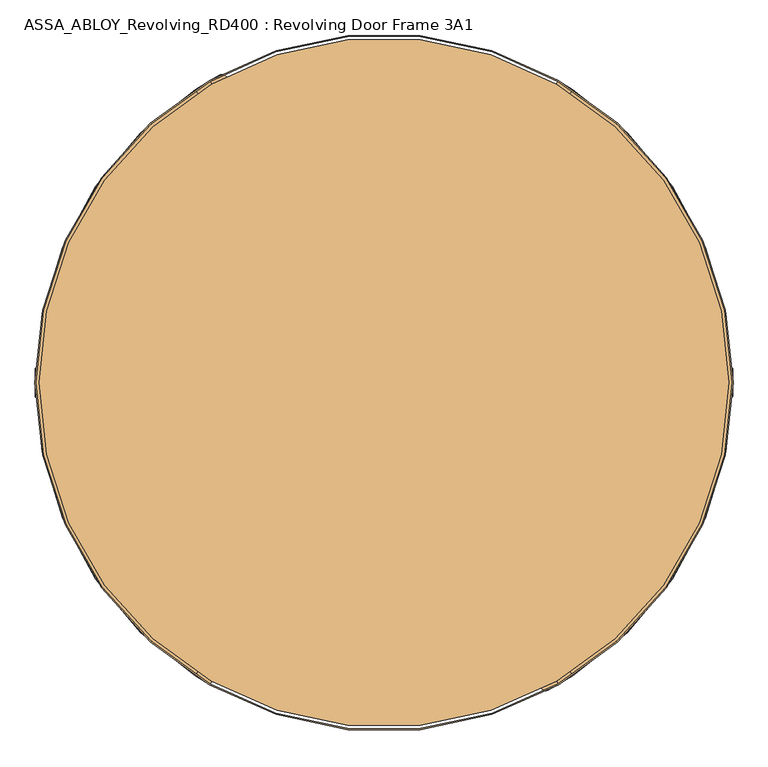
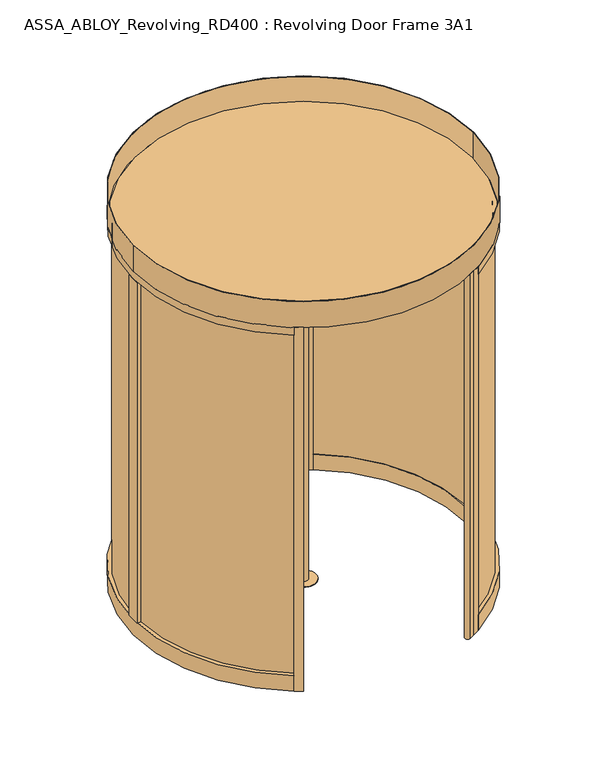
"""IFC4 building model written with IfcOpenShell, lengths in millimetres: door geometry, ASSA_ABLOY_Revolving_RD400 : Revolving Door Frame 3A1."""

import ifcopenshell
import ifcopenshell.guid

model = None  # the IFC model being written
_history = None  # IfcOwnerHistory: only IFC2X3 demands one
_inside = {}  # id of a spatial element -> (the spatial element, [elements in it])
_under = {}  # id of a project, library or spatial element -> (it, [spatial elements below it])
_declared = {}  # id of a project -> (the project, [libraries it declares])
_typed = {}  # id of a type object -> (the type object, [elements of that type])
_made_of = {}  # id of a material, layer set ... -> (it, [elements and type objects made of it])


def new_model(schema):
    """Start an empty IFC model of exactly this schema.

    Asked for "IFC4X3", IfcOpenShell would pick the latest addendum, in which some entities
    have other attributes; the version numbers below select the first issue.
    IFC2X3 requires an IfcOwnerHistory on every rooted entity: one is made here for all.
    """
    global model, _history
    if schema == "IFC4X3":
        model = ifcopenshell.file(schema_version=(4, 3, 0, 0))
    else:
        model = ifcopenshell.file(schema=schema)
    _inside.clear()
    _under.clear()
    _declared.clear()
    _typed.clear()
    _made_of.clear()
    _history = None
    if model.schema == "IFC2X3":
        org = make("IfcOrganization", Name="unknown")
        user = make(
            "IfcPersonAndOrganization",
            ThePerson=make("IfcPerson", FamilyName="unknown"),
            TheOrganization=org,
        )
        app = make(
            "IfcApplication",
            ApplicationDeveloper=org,
            Version="unknown",
            ApplicationFullName="unknown",
            ApplicationIdentifier="unknown",
        )
        _history = make(
            "IfcOwnerHistory",
            OwningUser=user,
            OwningApplication=app,
            ChangeAction="ADDED",
            CreationDate=0,
        )
    return model


def make(cls, **values):
    """One entity of the class cls with the attributes given. An attribute that is None is left unset."""
    return model.create_entity(
        cls, **{name: value for name, value in values.items() if value is not None}
    )


def rooted(cls, **values):
    """An entity with a GlobalId (a new one), such as an element, a storey or a relation."""
    return make(cls, GlobalId=ifcopenshell.guid.new(), OwnerHistory=_history, **values)


def si_unit(unit_type, name, prefix=None):
    """IfcSIUnit, for example si_unit("LENGTHUNIT", "METRE", prefix="MILLI")."""
    return make("IfcSIUnit", UnitType=unit_type, Prefix=prefix, Name=name)


def assignment(units):
    """IfcUnitAssignment: the units of a project."""
    return None if units is None else make("IfcUnitAssignment", Units=units)


def point(xyz):
    """IfcCartesianPoint."""
    return None if xyz is None else make("IfcCartesianPoint", Coordinates=xyz)


def direction(xyz):
    """IfcDirection."""
    return None if xyz is None else make("IfcDirection", DirectionRatios=xyz)


def frame(location, z_axis=None, x_axis=None):
    """IfcAxis2Placement3D, a coordinate frame: its origin and axes. An axis left out is left unset."""
    return make(
        "IfcAxis2Placement3D",
        Location=point(location),
        Axis=direction(z_axis),
        RefDirection=direction(x_axis),
    )


def frame_2d(location, x_axis=None):
    """IfcAxis2Placement2D, a coordinate frame in the plane: its origin and x axis."""
    return make(
        "IfcAxis2Placement2D", Location=point(location), RefDirection=direction(x_axis)
    )


def origin():
    """The frame at (0, 0, 0) with its axes left unset."""
    return frame((0.0, 0.0, 0.0))


def origin_with_axes():
    """The frame at (0, 0, 0) with the z axis (0, 0, 1) and the x axis (1, 0, 0) written out."""
    return frame((0.0, 0.0, 0.0), z_axis=(0.0, 0.0, 1.0), x_axis=(1.0, 0.0, 0.0))


def origin_2d():
    """The frame at (0, 0) in the plane with its x axis left unset."""
    return frame_2d((0.0, 0.0))


def place(relative_to, where):
    """IfcLocalPlacement: puts the frame where relative to a parent placement (None: the world)."""
    return make(
        "IfcLocalPlacement", PlacementRelTo=relative_to, RelativePlacement=where
    )


def context(
    kind, dimensions, precision=None, world=None, true_north=None, identifier=None
):
    """IfcGeometricRepresentationContext, for example the 3D "Model" context."""
    return make(
        "IfcGeometricRepresentationContext",
        ContextIdentifier=identifier,
        ContextType=kind,
        CoordinateSpaceDimension=dimensions,
        Precision=precision,
        WorldCoordinateSystem=world,
        TrueNorth=true_north,
    )


def project(units=None, contexts=None):
    """IfcProject with its units and contexts."""
    return rooted(
        "IfcProject",
        Name="project",
        RepresentationContexts=contexts,
        UnitsInContext=assignment(units),
    )


def spatial(cls, under=None, at=None, **own):
    """A site, building, storey or space (cls), placed at a placement, below another one or the project."""
    s = rooted(cls, ObjectPlacement=at, **own)
    if under is not None:
        _under.setdefault(under.id(), (under, []))[1].append(s)
    return s


def polyline(points):
    """IfcPolyline through the points."""
    return make("IfcPolyline", Points=[point(p) for p in points])


def circle_curve(where, radius):
    """IfcCircle in the frame where."""
    return make("IfcCircle", Position=where, Radius=radius)


def trimmed(basis, trim1, trim2, sense, master):
    """IfcTrimmedCurve: the piece of a basis curve between two trims."""
    return make(
        "IfcTrimmedCurve",
        BasisCurve=basis,
        Trim1=trim1,
        Trim2=trim2,
        SenseAgreement=sense,
        MasterRepresentation=master,
    )


def segment(curve, same_sense, transition):
    """IfcCompositeCurveSegment."""
    return make(
        "IfcCompositeCurveSegment",
        Transition=transition,
        SameSense=same_sense,
        ParentCurve=curve,
    )


def composite_curve(segments, self_intersect=None):
    """IfcCompositeCurve: segments joined end to end."""
    return make("IfcCompositeCurve", Segments=segments, SelfIntersect=self_intersect)


def outline(outer, holes=None, kind="AREA"):
    """IfcArbitraryClosedProfileDef: a profile drawn as a closed curve; with holes, ...WithVoids."""
    if holes is None:
        return make("IfcArbitraryClosedProfileDef", ProfileType=kind, OuterCurve=outer)
    return make(
        "IfcArbitraryProfileDefWithVoids",
        ProfileType=kind,
        OuterCurve=outer,
        InnerCurves=holes,
    )


def extrude(swept, where, along, depth):
    """IfcExtrudedAreaSolid: the profile swept, set in the frame where, extruded along a direction by depth."""
    return make(
        "IfcExtrudedAreaSolid",
        SweptArea=swept,
        Position=where,
        ExtrudedDirection=direction(along),
        Depth=depth,
    )


def shape(context_of_items, identifier, shape_type, items):
    """IfcShapeRepresentation: the items that make up one representation, for example the "Body"."""
    return make(
        "IfcShapeRepresentation",
        ContextOfItems=context_of_items,
        RepresentationIdentifier=identifier,
        RepresentationType=shape_type,
        Items=items,
    )


def source(mapping_origin, context_of_items, identifier, shape_type, items):
    """IfcRepresentationMap: a shape defined once, which mapped items show again and again."""
    return make(
        "IfcRepresentationMap",
        MappingOrigin=mapping_origin,
        MappedRepresentation=shape(context_of_items, identifier, shape_type, items),
    )


def transform(
    local_origin,
    x_axis=None,
    y_axis=None,
    z_axis=None,
    scale=None,
    scale2=None,
    scale3=None,
    uniform=True,
):
    """IfcCartesianTransformationOperator3D, or its non-uniform kind. x_axis, y_axis, z_axis: its Axis1, 2, 3."""
    if uniform:
        return make(
            "IfcCartesianTransformationOperator3D",
            Axis1=direction(x_axis),
            Axis2=direction(y_axis),
            LocalOrigin=point(local_origin),
            Scale=scale,
            Axis3=direction(z_axis),
        )
    return make(
        "IfcCartesianTransformationOperator3DnonUniform",
        Axis1=direction(x_axis),
        Axis2=direction(y_axis),
        LocalOrigin=point(local_origin),
        Scale=scale,
        Axis3=direction(z_axis),
        Scale2=scale2,
        Scale3=scale3,
    )


def mapped(mapping_source, mapping_target):
    """IfcMappedItem: shows the shape of a source again, moved by a transform."""
    return make(
        "IfcMappedItem", MappingSource=mapping_source, MappingTarget=mapping_target
    )


def made_of(thing, what):
    """Note that an element or type object is made of a material, layer set ...; save() writes the relation."""
    if what is not None:
        _made_of.setdefault(what.id(), (what, []))[1].append(thing)
    return thing


def element(
    cls,
    number,
    at=None,
    inside=None,
    cuts=None,
    type_object=None,
    material=None,
    context=None,
    identifier="Body",
    shape_type=None,
    held_by="IfcProductDefinitionShape",
    body=None,
    shapes=None,
    **own,
):
    """One element of the class cls, such as IfcWall. Its Tag is "e" and its number.

    at: its placement. inside: the storey or other place that contains it. cuts: it is an
    opening in that element (IfcRelVoidsElement). A single representation is given by context,
    identifier, shape_type and body (its items); several are given by shapes. held_by: the class
    of the entity that holds the representations. save() writes the other relations.
    """
    e = rooted(cls, Tag="e%d" % number, ObjectPlacement=at, **own)
    if body is not None:
        shapes = [shape(context, identifier, shape_type, body)]
    if shapes is not None:
        e.Representation = make(held_by, Representations=shapes)
    if inside is not None:
        _inside.setdefault(inside.id(), (inside, []))[1].append(e)
    if cuts is not None:
        rooted(
            "IfcRelVoidsElement", RelatingBuildingElement=cuts, RelatedOpeningElement=e
        )
    if type_object is not None:
        _typed.setdefault(type_object.id(), (type_object, []))[1].append(e)
    return made_of(e, material)


def aggregate(whole, parts):
    """IfcRelAggregates: a whole, such as a stair, and the parts it consists of."""
    return rooted("IfcRelAggregates", RelatingObject=whole, RelatedObjects=parts)


def save(model, path):
    """Write the relations noted so far, then the file.

    IfcRelAggregates (storeys below a building ...), IfcRelContainedInSpatialStructure (elements
    in a storey), IfcRelDefinesByType, IfcRelAssociatesMaterial and IfcRelDeclares: one each for
    every whole, place, type object, material and project.
    """
    for whole, parts in _under.values():
        aggregate(whole, parts)
    for where, things in _inside.values():
        rooted(
            "IfcRelContainedInSpatialStructure",
            RelatedElements=things,
            RelatingStructure=where,
        )
    for kind, things in _typed.values():
        rooted("IfcRelDefinesByType", RelatedObjects=things, RelatingType=kind)
    for what, things in _made_of.values():
        rooted("IfcRelAssociatesMaterial", RelatedObjects=things, RelatingMaterial=what)
    for by, libraries in _declared.values():
        rooted("IfcRelDeclares", RelatingContext=by, RelatedDefinitions=libraries)
    model.write(path)


def assa_abloy_revolving_rd400_revolving_door_frame_3a1_69cc56ba(model_context):
    return source(origin(), model_context, "Body", "SweptSolid", [
        extrude(outline(polyline([(28.0, -1115.4407922), (47.8848654, -1122.768158), (47.8848654, -1126.3412198), (28.0, -1133.6685856), (28.0, -1130.8463846), (33.6340452, -1128.842363), (33.6340452, -1120.2721931), (28.0, -1118.2681716), (28.0, -1115.4407922)]), holes=[polyline([(35.9539462, -1121.126621), (35.9539462, -1128.0034703), (45.4562191, -1124.5546889), (35.9539462, -1121.126621)])]), frame((0.0, -22.0, 0.0), z_axis=(0.0, 1.0, 0.0), x_axis=(0.0, 0.0, 1.0)), (0.0, 0.0, 1.0), 2.0),
        extrude(outline(polyline([(33.6858287, -1097.8758278), (36.999973, -1099.0383674), (38.7709688, -1102.505273), (39.3172847, -1105.2731013), (39.7703904, -1107.7923687), (40.8500765, -1110.1355723), (42.794547, -1110.8009903), (45.0290052, -1109.4442625), (45.8963789, -1105.8556657), (45.2361392, -1101.8761034), (43.5764779, -1098.5386566), (46.7870552, -1098.5386566), (47.804601, -1101.7466447), (48.2162799, -1105.7262069), (46.6239371, -1111.269631), (42.5408079, -1113.4523057), (39.0195296, -1112.1292372), (37.1087183, -1108.061643), (36.6685585, -1105.4931812), (36.2283987, -1103.2405988), (35.2574581, -1101.1977395), (33.3129875, -1100.5271432), (30.8946979, -1101.9330653), (29.9884865, -1105.8660224), (30.6772071, -1109.6772883), (32.6398019, -1113.4523057), (29.2790525, -1113.4523057), (28.0750861, -1109.9051357), (27.6685856, -1105.9747678), (28.147583, -1102.4949163), (29.4810082, -1099.9678813), (31.3944087, -1098.4247329), (33.6858287, -1097.8758278)])), frame((0.0, -22.0, 0.0), z_axis=(0.0, 1.0, 0.0), x_axis=(0.0, 0.0, 1.0)), (0.0, 0.0, 1.0), 2.0),
        extrude(outline(polyline([(33.6858287, -1078.9852056), (36.999973, -1080.1477453), (38.7709688, -1083.6146508), (39.3172847, -1086.3824791), (39.7703904, -1088.9017466), (40.8500765, -1091.2449501), (42.794547, -1091.9103681), (45.0290052, -1090.5536403), (45.8963789, -1086.9650435), (45.2361392, -1082.9854813), (43.5764779, -1079.6480344), (46.7870552, -1079.6480344), (47.804601, -1082.8560225), (48.2162799, -1086.8355848), (46.6239371, -1092.3790088), (42.5408079, -1094.5616835), (39.0195296, -1093.238615), (37.1087183, -1089.1710208), (36.6685585, -1086.602559), (36.2283987, -1084.3499766), (35.2574581, -1082.3071174), (33.3129875, -1081.636521), (30.8946979, -1083.0424431), (29.9884865, -1086.9754002), (30.6772071, -1090.7866661), (32.6398019, -1094.5616835), (29.2790525, -1094.5616835), (28.0750861, -1091.0145135), (27.6685856, -1087.0841456), (28.147583, -1083.6042941), (29.4810082, -1081.0772591), (31.3944087, -1079.5341107), (33.6858287, -1078.9852056)])), frame((0.0, -22.0, 0.0), z_axis=(0.0, 1.0, 0.0), x_axis=(0.0, 0.0, 1.0)), (0.0, 0.0, 1.0), 2.0),
        extrude(outline(polyline([(28.0, -1058.7689257), (47.8848654, -1066.0962915), (47.8848654, -1069.6693533), (28.0, -1076.996719), (28.0, -1074.1745181), (33.6340452, -1072.1704965), (33.6340452, -1063.6003266), (28.0, -1061.596305), (28.0, -1058.7689257)]), holes=[polyline([(35.9539462, -1064.4547544), (35.9539462, -1071.3316037), (45.4562191, -1067.8828224), (35.9539462, -1064.4547544)])]), frame((0.0, -22.0, 0.0), z_axis=(0.0, 1.0, 0.0), x_axis=(0.0, 0.0, 1.0)), (0.0, 0.0, 1.0), 2.0),
        extrude(outline(polyline([(28.0, -1030.2672852), (47.8848654, -1037.594651), (47.8848654, -1041.1677128), (28.0, -1048.4950786), (28.0, -1045.6728776), (33.6340452, -1043.668856), (33.6340452, -1035.0986861), (28.0, -1033.0946645), (28.0, -1030.2672852)]), holes=[polyline([(35.9539462, -1035.953114), (35.9539462, -1042.8299633), (45.4562191, -1039.3811819), (35.9539462, -1035.953114)])]), frame((0.0, -22.0, 0.0), z_axis=(0.0, 1.0, 0.0), x_axis=(0.0, 0.0, 1.0)), (0.0, 0.0, 1.0), 2.0),
        extrude(outline(polyline([(34.1311668, -1012.0394919), (37.561824, -1013.2097991), (39.4441543, -1016.4100196), (41.0597997, -1014.4370681), (43.4521975, -1013.696564), (45.5960346, -1014.2014532), (47.0615077, -1015.824866), (47.7269258, -1017.9402222), (47.8848654, -1021.2673123), (47.8848654, -1027.2845554), (28.0, -1027.2845554), (28.0, -1020.1177185), (28.3754304, -1016.6482237), (29.6311804, -1014.1419022), (31.5083324, -1012.6091105), (34.1311668, -1012.0394919)]), holes=[polyline([(41.5595105, -1017.6631804), (39.9309193, -1021.0498216), (39.9309193, -1024.63324), (45.5649645, -1024.63324), (45.5649645, -1021.3294525), (45.4795217, -1019.0069623), (41.5595105, -1017.6631804)]), polyline([(34.0172431, -1014.6908073), (32.3187442, -1015.0507027), (31.148437, -1016.1821722), (30.4985541, -1018.0645026), (30.319901, -1021.0083948), (30.319901, -1024.63324), (37.6110183, -1024.63324), (37.6110183, -1020.3352092), (37.5126296, -1018.0308433), (37.0828266, -1016.4203763), (35.8995735, -1015.0636485), (34.0172431, -1014.6908073)])]), frame((0.0, -22.0, 0.0), z_axis=(0.0, 1.0, 0.0), x_axis=(0.0, 0.0, 1.0)), (0.0, 0.0, 1.0), 2.0),
        extrude(outline(polyline([(28.0, -995.8001851), (30.319901, -995.8001851), (30.319901, -1005.7426179), (47.8848654, -1005.7426179), (47.8848654, -1008.3939332), (28.0, -1008.3939332), (28.0, -995.8001851)])), frame((0.0, -22.0, 0.0), z_axis=(0.0, 1.0, 0.0), x_axis=(0.0, 0.0, 1.0)), (0.0, 0.0, 1.0), 2.0),
        extrude(outline(polyline([(45.5390727, -978.3905712), (47.5197917, -981.2464314), (48.2162799, -985.0343947), (47.5275593, -988.7861095), (45.5390727, -991.6678615), (42.2611769, -993.5113543), (37.9372544, -994.143113), (33.5770834, -993.5035867), (30.3561494, -991.6782182), (28.3573062, -988.7990554), (27.6685856, -985.0343947), (28.3443603, -981.2593773), (30.3561494, -978.3905712), (33.571905, -976.5677918), (37.9372544, -975.9153197), (42.292247, -976.554846), (45.5390727, -978.3905712)]), holes=[polyline([(37.9372544, -978.5666351), (32.0339349, -980.3169175), (29.9884865, -985.024038), (32.0339349, -989.7337477), (37.9372544, -991.4917976), (43.8250388, -989.7674069), (45.8963789, -985.024038), (43.8250388, -980.2962041), (37.9372544, -978.5666351)])]), frame((0.0, -22.0, 0.0), z_axis=(0.0, 1.0, 0.0), x_axis=(0.0, 0.0, 1.0)), (0.0, 0.0, 1.0), 2.0),
        extrude(outline(polyline([(47.8848654, -957.0246975), (47.8848654, -960.1938479), (38.9884595, -965.6259375), (47.8848654, -971.1149889), (47.8848654, -974.2582476), (36.4407111, -966.9671302), (28.0, -966.9671302), (28.0, -964.3158148), (36.720342, -964.3158148), (47.8848654, -957.0246975)])), frame((0.0, -22.0, 0.0), z_axis=(0.0, 1.0, 0.0), x_axis=(0.0, 0.0, 1.0)), (0.0, 0.0, 1.0), 2.0),
        extrude(outline(polyline([(28.0, -975.9153197), (28.0, -973.0879404), (33.6340452, -971.0839188), (33.6340452, -962.5137489), (28.0, -960.5097273), (28.0, -957.6875264), (47.8848654, -965.0148921), (47.8848654, -968.5879539), (28.0, -975.9153197)]), holes=[polyline([(35.9539462, -970.229491), (45.4562191, -966.801423), (35.9539462, -963.3526417), (35.9539462, -970.229491)])]), frame((0.0, 20.0, 0.0), z_axis=(0.0, 1.0, 0.0), x_axis=(0.0, 0.0, 1.0)), (0.0, 0.0, 1.0), 2.0),
        extrude(outline(polyline([(33.6858287, -993.4802842), (31.3944087, -992.931379), (29.4810082, -991.3882306), (28.147583, -988.8611956), (27.6685856, -985.3813442), (28.0750861, -981.4509762), (29.2790525, -977.9038062), (32.6398019, -977.9038062), (30.6772071, -981.6788237), (29.9884865, -985.4900895), (30.8946979, -989.4230466), (33.3129875, -990.8289688), (35.2574581, -990.1583724), (36.2283987, -988.1155132), (36.6685585, -985.8629308), (37.1087183, -983.294469), (39.0195296, -979.2268747), (42.5408079, -977.9038062), (46.6239371, -980.0864809), (48.2162799, -985.629905), (47.804601, -989.6094673), (46.7870552, -992.8174553), (43.5764779, -992.8174553), (45.2361392, -989.4800085), (45.8963789, -985.5004462), (45.0290052, -981.9118494), (42.794547, -980.5551216), (40.8500765, -981.2205396), (39.7703904, -983.5637432), (39.3172847, -986.0830106), (38.7709688, -988.8508389), (36.999973, -992.3177445), (33.6858287, -993.4802842)])), frame((0.0, 20.0, 0.0), z_axis=(0.0, 1.0, 0.0), x_axis=(0.0, 0.0, 1.0)), (0.0, 0.0, 1.0), 2.0),
        extrude(outline(polyline([(33.6858287, -1012.3709063), (31.3944087, -1011.8220012), (29.4810082, -1010.2788528), (28.147583, -1007.7518178), (27.6685856, -1004.2719663), (28.0750861, -1000.3415984), (29.2790525, -996.7944284), (32.6398019, -996.7944284), (30.6772071, -1000.5694458), (29.9884865, -1004.3807117), (30.8946979, -1008.3136688), (33.3129875, -1009.7195909), (35.2574581, -1009.0489946), (36.2283987, -1007.0061353), (36.6685585, -1004.7535529), (37.1087183, -1002.1850911), (39.0195296, -998.1174969), (42.5408079, -996.7944284), (46.6239371, -998.9771031), (48.2162799, -1004.5205272), (47.804601, -1008.5000894), (46.7870552, -1011.7080775), (43.5764779, -1011.7080775), (45.2361392, -1008.3706307), (45.8963789, -1004.3910684), (45.0290052, -1000.8024716), (42.794547, -999.4457438), (40.8500765, -1000.1111618), (39.7703904, -1002.4543654), (39.3172847, -1004.9736328), (38.7709688, -1007.7414611), (36.999973, -1011.2083667), (33.6858287, -1012.3709063)])), frame((0.0, 20.0, 0.0), z_axis=(0.0, 1.0, 0.0), x_axis=(0.0, 0.0, 1.0)), (0.0, 0.0, 1.0), 2.0),
        extrude(outline(polyline([(28.0, -1032.5871862), (28.0, -1029.7598069), (33.6340452, -1027.7557853), (33.6340452, -1019.1856154), (28.0, -1017.1815938), (28.0, -1014.3593929), (47.8848654, -1021.6867587), (47.8848654, -1025.2598204), (28.0, -1032.5871862)]), holes=[polyline([(35.9539462, -1026.9013575), (45.4562191, -1023.4732895), (35.9539462, -1020.0245082), (35.9539462, -1026.9013575)])]), frame((0.0, 20.0, 0.0), z_axis=(0.0, 1.0, 0.0), x_axis=(0.0, 0.0, 1.0)), (0.0, 0.0, 1.0), 2.0),
        extrude(outline(polyline([(28.0, -1061.0888267), (28.0, -1058.2614474), (33.6340452, -1056.2574258), (33.6340452, -1047.6872559), (28.0, -1045.6832343), (28.0, -1042.8610334), (47.8848654, -1050.1883991), (47.8848654, -1053.7614609), (28.0, -1061.0888267)]), holes=[polyline([(35.9539462, -1055.402998), (45.4562191, -1051.97493), (35.9539462, -1048.5261487), (35.9539462, -1055.402998)])]), frame((0.0, 20.0, 0.0), z_axis=(0.0, 1.0, 0.0), x_axis=(0.0, 0.0, 1.0)), (0.0, 0.0, 1.0), 2.0),
        extrude(outline(polyline([(34.1311668, -1079.31662), (31.5083324, -1078.7470015), (29.6311804, -1077.2142098), (28.3754304, -1074.7078882), (28.0, -1071.2383934), (28.0, -1064.0715565), (47.8848654, -1064.0715565), (47.8848654, -1070.0887996), (47.7269258, -1073.4158898), (47.0615077, -1075.5312459), (45.5960346, -1077.1546587), (43.4521975, -1077.6595479), (41.0597997, -1076.9190438), (39.4441543, -1074.9460923), (37.561824, -1078.1463128), (34.1311668, -1079.31662)]), holes=[polyline([(41.5595105, -1073.6929315), (45.4795217, -1072.3491496), (45.5649645, -1070.0266594), (45.5649645, -1066.7228719), (39.9309193, -1066.7228719), (39.9309193, -1070.3062904), (41.5595105, -1073.6929315)]), polyline([(34.0172431, -1076.6653046), (35.8995735, -1076.2924634), (37.0828266, -1074.9357356), (37.5126296, -1073.3252686), (37.6110183, -1071.0209027), (37.6110183, -1066.7228719), (30.319901, -1066.7228719), (30.319901, -1070.3477172), (30.4985541, -1073.2916094), (31.148437, -1075.1739397), (32.3187442, -1076.3054093), (34.0172431, -1076.6653046)])]), frame((0.0, 20.0, 0.0), z_axis=(0.0, 1.0, 0.0), x_axis=(0.0, 0.0, 1.0)), (0.0, 0.0, 1.0), 2.0),
        extrude(outline(polyline([(28.0, -1095.5559268), (28.0, -1082.9621787), (47.8848654, -1082.9621787), (47.8848654, -1085.6134941), (30.319901, -1085.6134941), (30.319901, -1095.5559268), (28.0, -1095.5559268)])), frame((0.0, 20.0, 0.0), z_axis=(0.0, 1.0, 0.0), x_axis=(0.0, 0.0, 1.0)), (0.0, 0.0, 1.0), 2.0),
        extrude(outline(polyline([(45.5390727, -1112.9655408), (42.292247, -1114.801266), (37.9372544, -1115.4407922), (33.571905, -1114.7883201), (30.3561494, -1112.9655408), (28.3443603, -1110.0967347), (27.6685856, -1106.3217172), (28.3573062, -1102.5570565), (30.3561494, -1099.6778937), (33.5770834, -1097.8525252), (37.9372544, -1097.2129989), (42.2611769, -1097.8447577), (45.5390727, -1099.6882504), (47.5275593, -1102.5700024), (48.2162799, -1106.3217172), (47.5197917, -1110.1096805), (45.5390727, -1112.9655408)]), holes=[polyline([(37.9372544, -1112.7894769), (43.8250388, -1111.0599078), (45.8963789, -1106.3320739), (43.8250388, -1101.588705), (37.9372544, -1099.8643143), (32.0339349, -1101.6223643), (29.9884865, -1106.3320739), (32.0339349, -1111.0391944), (37.9372544, -1112.7894769)])]), frame((0.0, 20.0, 0.0), z_axis=(0.0, 1.0, 0.0), x_axis=(0.0, 0.0, 1.0)), (0.0, 0.0, 1.0), 2.0),
        extrude(outline(polyline([(47.8848654, -1134.3314144), (36.720342, -1127.0402971), (28.0, -1127.0402971), (28.0, -1124.3889817), (36.4407111, -1124.3889817), (47.8848654, -1117.0978644), (47.8848654, -1120.241123), (38.9884595, -1125.7301744), (47.8848654, -1131.162264), (47.8848654, -1134.3314144)])), frame((0.0, 20.0, 0.0), z_axis=(0.0, 1.0, 0.0), x_axis=(0.0, 0.0, 1.0)), (0.0, 0.0, 1.0), 2.0),
        extrude(outline(composite_curve([segment(polyline([(-600.0, 1039.2304845), (-620.0, 1073.8715007)]), True, "CONTINUOUS"), segment(trimmed(circle_curve(origin_2d(), 1240.0), [point((-620.0, 1073.8715007))], [point((-585.0363192, 1093.3126292))], False, "CARTESIAN"), True, "CONTINUOUS"), segment(trimmed(circle_curve(frame_2d((-575.5902563, 1075.6598792)), 20.0211809), [point((-585.0363192, 1093.3126292))], [point((-565.0255579, 1058.6529738))], False, "CARTESIAN"), True, "CONTINUOUS"), segment(trimmed(circle_curve(origin_2d(), 1200.0), [point((-565.0255579, 1058.6529738))], [point((-600.0, 1039.2304845))], True, "CARTESIAN"), True, "CONTINUOUS")], self_intersect=False)), origin_with_axes(), (0.0, 0.0, 1.0), 2800.0),
        extrude(outline(composite_curve([segment(polyline([(600.0, -1039.2304845), (620.0, -1073.8715007)]), True, "CONTINUOUS"), segment(trimmed(circle_curve(origin_2d(), 1240.0), [point((620.0, -1073.8715007))], [point((585.0363192, -1093.3126292))], False, "CARTESIAN"), True, "CONTINUOUS"), segment(trimmed(circle_curve(frame_2d((575.5902563, -1075.6598792)), 20.0211809), [point((585.0363192, -1093.3126292))], [point((565.0255579, -1058.6529738))], False, "CARTESIAN"), True, "CONTINUOUS"), segment(trimmed(circle_curve(origin_2d(), 1200.0), [point((565.0255579, -1058.6529738))], [point((600.0, -1039.2304845))], True, "CARTESIAN"), True, "CONTINUOUS")], self_intersect=False)), origin_with_axes(), (0.0, 0.0, 1.0), 2800.0),
        extrude(outline(composite_curve([segment(trimmed(circle_curve(origin_2d(), 1226.0), [point((-1226.0, 0.0))], [point((1226.0, 0.0))], False, "CARTESIAN"), True, "CONTINUOUS"), segment(trimmed(circle_curve(origin_2d(), 1226.0), [point((1226.0, 0.0))], [point((-1226.0, 0.0))], False, "CARTESIAN"), True, "CONTINUOUS")], self_intersect=False)), frame((0.0, 0.0, 2800.0), z_axis=(0.0, 0.0, 1.0), x_axis=(1.0, 0.0, 0.0)), (0.0, 0.0, 1.0), 16.0),
        extrude(outline(composite_curve([segment(polyline([(-671.2352924, 1042.4070549), (-651.2110549, 1007.7240581)]), True, "CONTINUOUS"), segment(trimmed(circle_curve(frame_2d((0.0, -0.2065754)), 1200.0), [point((-651.2110549, 1007.7240581))], [point((-651.2110549, -1008.1372089))], True, "CARTESIAN"), True, "CONTINUOUS"), segment(polyline([(-651.2110549, -1008.1372089), (-671.2352924, -1042.8202058)]), True, "CONTINUOUS"), segment(trimmed(circle_curve(frame_2d((0.0, -0.2065754)), 1240.0), [point((-671.2352924, -1042.8202058))], [point((-671.2352924, 1042.4070549))], False, "CARTESIAN"), True, "CONTINUOUS")], self_intersect=False)), frame((0.0, 0.0, 2743.0), z_axis=(0.0, 0.0, 1.0), x_axis=(1.0, 0.0, 0.0)), (0.0, 0.0, 1.0), 60.0),
        extrude(outline(composite_curve([segment(polyline([(-671.2352924, -1042.8202058), (-651.2110549, -1008.1372089)]), True, "CONTINUOUS"), segment(trimmed(circle_curve(frame_2d((0.0, -0.2065754)), 1200.0), [point((-651.2110549, -1008.1372089))], [point((-600.0, -1039.4370599))], True, "CARTESIAN"), True, "CONTINUOUS"), segment(polyline([(-600.0, -1039.4370599), (-620.0, -1074.0780761)]), True, "CONTINUOUS"), segment(trimmed(circle_curve(frame_2d((0.0, -0.2065754)), 1240.0), [point((-620.0, -1074.0780761))], [point((-671.2352924, -1042.8202058))], False, "CARTESIAN"), True, "CONTINUOUS")], self_intersect=False)), frame((0.0, 0.0, 3.0), z_axis=(0.0, 0.0, 1.0), x_axis=(1.0, 0.0, 0.0)), (0.0, 0.0, 1.0), 2800.0),
        extrude(outline(composite_curve([segment(polyline([(-620.0, 1073.6649253), (-600.0, 1039.0239091)]), True, "CONTINUOUS"), segment(trimmed(circle_curve(frame_2d((0.0, -0.2065754)), 1200.0), [point((-600.0, 1039.0239091))], [point((-651.2110549, 1007.7240581))], True, "CARTESIAN"), True, "CONTINUOUS"), segment(polyline([(-651.2110549, 1007.7240581), (-671.2352924, 1042.4070549)]), True, "CONTINUOUS"), segment(trimmed(circle_curve(frame_2d((0.0, -0.2065754)), 1240.0), [point((-671.2352924, 1042.4070549))], [point((-620.0, 1073.6649253))], False, "CARTESIAN"), True, "CONTINUOUS")], self_intersect=False)), frame((0.0, 0.0, 3.0), z_axis=(0.0, 0.0, 1.0), x_axis=(1.0, 0.0, 0.0)), (0.0, 0.0, 1.0), 2800.0),
        extrude(outline(composite_curve([segment(polyline([(-1211.969059, -50.2065754), (-1203.9622087, -50.2065754)]), True, "CONTINUOUS"), segment(trimmed(circle_curve(frame_2d((0.0, -0.2065754)), 1205.0), [point((-1203.9622087, -50.2065754))], [point((-653.7141727, -1012.4727362))], True, "CARTESIAN"), True, "CONTINUOUS"), segment(polyline([(-653.7141727, -1012.4727362), (-657.7191078, -1019.4094871)]), True, "CONTINUOUS"), segment(trimmed(circle_curve(frame_2d((0.0, -0.2065754)), 1213.0), [point((-657.7191078, -1019.4094871))], [point((-1211.969059, -50.2065754))], False, "CARTESIAN"), True, "CONTINUOUS")], self_intersect=False)), frame((0.0, 0.0, 123.0), z_axis=(0.0, 0.0, 1.0), x_axis=(1.0, 0.0, 0.0)), (0.0, 0.0, 1.0), 2620.0),
        extrude(outline(composite_curve([segment(polyline([(-657.7191078, 1018.9963363), (-653.7141727, 1012.0595854)]), True, "CONTINUOUS"), segment(trimmed(circle_curve(frame_2d((0.0, -0.2065754)), 1205.0), [point((-653.7141727, 1012.0595854))], [point((-1203.9622087, 49.7934246))], True, "CARTESIAN"), True, "CONTINUOUS"), segment(polyline([(-1203.9622087, 49.7934246), (-1211.969059, 49.7934246)]), True, "CONTINUOUS"), segment(trimmed(circle_curve(frame_2d((0.0, -0.2065754)), 1213.0), [point((-1211.969059, 49.7934246))], [point((-657.7191078, 1018.9963363))], False, "CARTESIAN"), True, "CONTINUOUS")], self_intersect=False)), frame((0.0, 0.0, 123.0), z_axis=(0.0, 0.0, 1.0), x_axis=(1.0, 0.0, 0.0)), (0.0, 0.0, 1.0), 2620.0),
        extrude(outline(polyline([(-1240.0, -50.2065754), (-1240.0, 49.7934246), (-1200.0, 49.7934246), (-1200.0, -50.2065754), (-1240.0, -50.2065754)])), frame((0.0, 0.0, 123.0), z_axis=(0.0, 0.0, 1.0), x_axis=(1.0, 0.0, 0.0)), (0.0, 0.0, 1.0), 2620.0),
        extrude(outline(composite_curve([segment(polyline([(-671.2352924, 1042.4070549), (-651.2110549, 1007.7240581)]), True, "CONTINUOUS"), segment(trimmed(circle_curve(frame_2d((0.0, -0.2065754)), 1200.0), [point((-651.2110549, 1007.7240581))], [point((-651.2110549, -1008.1372089))], True, "CARTESIAN"), True, "CONTINUOUS"), segment(polyline([(-651.2110549, -1008.1372089), (-671.2352924, -1042.8202058)]), True, "CONTINUOUS"), segment(trimmed(circle_curve(frame_2d((0.0, -0.2065754)), 1240.0), [point((-671.2352924, -1042.8202058))], [point((-671.2352924, 1042.4070549))], False, "CARTESIAN"), True, "CONTINUOUS")], self_intersect=False)), frame((0.0, 0.0, 3.0), z_axis=(0.0, 0.0, 1.0), x_axis=(1.0, 0.0, 0.0)), (0.0, 0.0, 1.0), 120.0),
        extrude(outline(composite_curve([segment(trimmed(circle_curve(origin_2d(), 1240.0), [point((671.2352924, 1042.6136303))], [point((671.2352924, -1042.6136303))], False, "CARTESIAN"), True, "CONTINUOUS"), segment(polyline([(671.2352924, -1042.6136303), (651.2110549, -1007.9306335)]), True, "CONTINUOUS"), segment(trimmed(circle_curve(origin_2d(), 1200.0), [point((651.2110549, -1007.9306335))], [point((651.2110549, 1007.9306335))], True, "CARTESIAN"), True, "CONTINUOUS"), segment(polyline([(651.2110549, 1007.9306335), (671.2352924, 1042.6136303)]), True, "CONTINUOUS")], self_intersect=False)), frame((0.0, 0.0, 2740.0), z_axis=(0.0, 0.0, 1.0), x_axis=(1.0, 0.0, 0.0)), (0.0, 0.0, 1.0), 60.0),
        extrude(outline(composite_curve([segment(trimmed(circle_curve(origin_2d(), 1240.0), [point((671.2352924, -1042.6136303))], [point((620.0, -1073.8715007))], False, "CARTESIAN"), True, "CONTINUOUS"), segment(polyline([(620.0, -1073.8715007), (600.0, -1039.2304845)]), True, "CONTINUOUS"), segment(trimmed(circle_curve(origin_2d(), 1200.0), [point((600.0, -1039.2304845))], [point((651.2110549, -1007.9306335))], True, "CARTESIAN"), True, "CONTINUOUS"), segment(polyline([(651.2110549, -1007.9306335), (671.2352924, -1042.6136303)]), True, "CONTINUOUS")], self_intersect=False)), origin_with_axes(), (0.0, 0.0, 1.0), 2800.0),
        extrude(outline(composite_curve([segment(trimmed(circle_curve(origin_2d(), 1240.0), [point((620.0, 1073.8715007))], [point((671.2352924, 1042.6136303))], False, "CARTESIAN"), True, "CONTINUOUS"), segment(polyline([(671.2352924, 1042.6136303), (651.2110549, 1007.9306335)]), True, "CONTINUOUS"), segment(trimmed(circle_curve(origin_2d(), 1200.0), [point((651.2110549, 1007.9306335))], [point((600.0, 1039.2304845))], True, "CARTESIAN"), True, "CONTINUOUS"), segment(polyline([(600.0, 1039.2304845), (620.0, 1073.8715007)]), True, "CONTINUOUS")], self_intersect=False)), origin_with_axes(), (0.0, 0.0, 1.0), 2800.0),
        extrude(outline(composite_curve([segment(trimmed(circle_curve(origin_2d(), 1213.0), [point((1211.969059, -50.0))], [point((657.7191078, -1019.2029117))], False, "CARTESIAN"), True, "CONTINUOUS"), segment(polyline([(657.7191078, -1019.2029117), (653.7141727, -1012.2661608)]), True, "CONTINUOUS"), segment(trimmed(circle_curve(origin_2d(), 1205.0), [point((653.7141727, -1012.2661608))], [point((1203.9622087, -50.0))], True, "CARTESIAN"), True, "CONTINUOUS"), segment(polyline([(1203.9622087, -50.0), (1211.969059, -50.0)]), True, "CONTINUOUS")], self_intersect=False)), frame((0.0, 0.0, 120.0), z_axis=(0.0, 0.0, 1.0), x_axis=(1.0, 0.0, 0.0)), (0.0, 0.0, 1.0), 2620.0),
        extrude(outline(composite_curve([segment(trimmed(circle_curve(origin_2d(), 1213.0), [point((657.7191078, 1019.2029117))], [point((1211.969059, 50.0))], False, "CARTESIAN"), True, "CONTINUOUS"), segment(polyline([(1211.969059, 50.0), (1203.9622087, 50.0)]), True, "CONTINUOUS"), segment(trimmed(circle_curve(origin_2d(), 1205.0), [point((1203.9622087, 50.0))], [point((653.7141727, 1012.2661608))], True, "CARTESIAN"), True, "CONTINUOUS"), segment(polyline([(653.7141727, 1012.2661608), (657.7191078, 1019.2029117)]), True, "CONTINUOUS")], self_intersect=False)), frame((0.0, 0.0, 120.0), z_axis=(0.0, 0.0, 1.0), x_axis=(1.0, 0.0, 0.0)), (0.0, 0.0, 1.0), 2620.0),
        extrude(outline(polyline([(1240.0, -50.0), (1200.0, -50.0), (1200.0, 50.0), (1240.0, 50.0), (1240.0, -50.0)])), frame((0.0, 0.0, 120.0), z_axis=(0.0, 0.0, 1.0), x_axis=(1.0, 0.0, 0.0)), (0.0, 0.0, 1.0), 2620.0),
        extrude(outline(composite_curve([segment(trimmed(circle_curve(origin_2d(), 1240.0), [point((671.2352924, 1042.6136303))], [point((671.2352924, -1042.6136303))], False, "CARTESIAN"), True, "CONTINUOUS"), segment(polyline([(671.2352924, -1042.6136303), (651.2110549, -1007.9306335)]), True, "CONTINUOUS"), segment(trimmed(circle_curve(origin_2d(), 1200.0), [point((651.2110549, -1007.9306335))], [point((651.2110549, 1007.9306335))], True, "CARTESIAN"), True, "CONTINUOUS"), segment(polyline([(651.2110549, 1007.9306335), (671.2352924, 1042.6136303)]), True, "CONTINUOUS")], self_intersect=False)), origin_with_axes(), (0.0, 0.0, 1.0), 120.0),
        extrude(outline(composite_curve([segment(trimmed(circle_curve(origin_2d(), 1241.0), [point((-1241.0, 0.0))], [point((1241.0, 0.0))], False, "CARTESIAN"), True, "CONTINUOUS"), segment(trimmed(circle_curve(origin_2d(), 1241.0), [point((1241.0, 0.0))], [point((-1241.0, 0.0))], False, "CARTESIAN"), True, "CONTINUOUS")], self_intersect=False), holes=[composite_curve([segment(trimmed(circle_curve(origin_2d(), 1237.0), [point((-1237.0, 0.0))], [point((1237.0, 0.0))], True, "CARTESIAN"), True, "CONTINUOUS"), segment(trimmed(circle_curve(origin_2d(), 1237.0), [point((1237.0, 0.0))], [point((-1237.0, 0.0))], True, "CARTESIAN"), True, "CONTINUOUS")], self_intersect=False)]), frame((0.0, 0.0, 2800.0), z_axis=(0.0, 0.0, 1.0), x_axis=(1.0, 0.0, 0.0)), (0.0, 0.0, 1.0), 200.0),
        extrude(outline(composite_curve([segment(trimmed(circle_curve(origin_2d(), 34.0), [point((-34.0, 0.0))], [point((34.0, 0.0))], False, "CARTESIAN"), True, "CONTINUOUS"), segment(trimmed(circle_curve(origin_2d(), 34.0), [point((34.0, 0.0))], [point((-34.0, 0.0))], False, "CARTESIAN"), True, "CONTINUOUS")], self_intersect=False)), origin_with_axes(), (0.0, 0.0, 1.0), 2800.0),
        extrude(outline(composite_curve([segment(trimmed(circle_curve(origin_2d(), 94.0), [point((-94.0, 0.0))], [point((94.0, 0.0))], False, "CARTESIAN"), True, "CONTINUOUS"), segment(trimmed(circle_curve(origin_2d(), 94.0), [point((94.0, 0.0))], [point((-94.0, 0.0))], False, "CARTESIAN"), True, "CONTINUOUS")], self_intersect=False)), origin_with_axes(), (0.0, 0.0, 1.0), 3.0),
    ])


if __name__ == "__main__":
    model = new_model("IFC4")
    model_context = context("Model", 3, world=origin())
    ifc_project = project(units=[si_unit("LENGTHUNIT", "METRE", prefix="MILLI")], contexts=[model_context])
    site = spatial("IfcSite", under=ifc_project)
    building = spatial("IfcBuilding", under=site)
    placement = place(None, origin())
    assa_abloy_revolving_rd400_revolving_door_frame_3a1_shape = assa_abloy_revolving_rd400_revolving_door_frame_3a1_69cc56ba(model_context)
    element("IfcDoor", 1, ObjectType="ASSA_ABLOY_Revolving_RD400 : Revolving Door Frame 3A1", at=placement, inside=building, context=model_context, shape_type="MappedRepresentation", body=[
        mapped(assa_abloy_revolving_rd400_revolving_door_frame_3a1_shape, transform((0.0, 0.0, 0.0), x_axis=(1.0, 0.0, 0.0), y_axis=(0.0, 1.0, 0.0), z_axis=(0.0, 0.0, 1.0))),
    ])
    save(model, "model.ifc")
